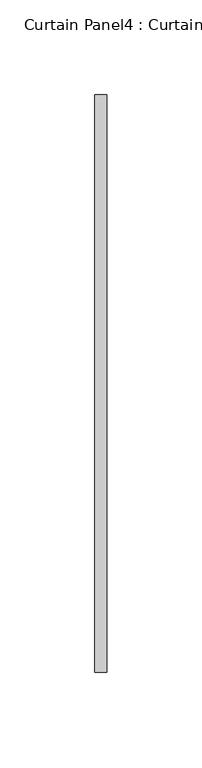
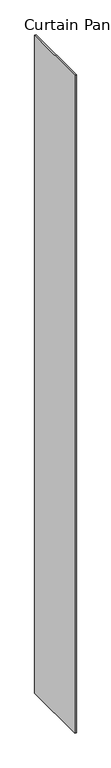
"""IFC4 building model written with IfcOpenShell, lengths in millimetres: plate geometry, Curtain Panel4 : Curtain Panel."""

import ifcopenshell
import ifcopenshell.guid

model = None  # the IFC model being written
_history = None  # IfcOwnerHistory: only IFC2X3 demands one
_inside = {}  # id of a spatial element -> (the spatial element, [elements in it])
_under = {}  # id of a project, library or spatial element -> (it, [spatial elements below it])
_declared = {}  # id of a project -> (the project, [libraries it declares])
_typed = {}  # id of a type object -> (the type object, [elements of that type])
_made_of = {}  # id of a material, layer set ... -> (it, [elements and type objects made of it])


def new_model(schema):
    """Start an empty IFC model of exactly this schema.

    Asked for "IFC4X3", IfcOpenShell would pick the latest addendum, in which some entities
    have other attributes; the version numbers below select the first issue.
    IFC2X3 requires an IfcOwnerHistory on every rooted entity: one is made here for all.
    """
    global model, _history
    if schema == "IFC4X3":
        model = ifcopenshell.file(schema_version=(4, 3, 0, 0))
    else:
        model = ifcopenshell.file(schema=schema)
    _inside.clear()
    _under.clear()
    _declared.clear()
    _typed.clear()
    _made_of.clear()
    _history = None
    if model.schema == "IFC2X3":
        org = make("IfcOrganization", Name="unknown")
        user = make(
            "IfcPersonAndOrganization",
            ThePerson=make("IfcPerson", FamilyName="unknown"),
            TheOrganization=org,
        )
        app = make(
            "IfcApplication",
            ApplicationDeveloper=org,
            Version="unknown",
            ApplicationFullName="unknown",
            ApplicationIdentifier="unknown",
        )
        _history = make(
            "IfcOwnerHistory",
            OwningUser=user,
            OwningApplication=app,
            ChangeAction="ADDED",
            CreationDate=0,
        )
    return model


def make(cls, **values):
    """One entity of the class cls with the attributes given. An attribute that is None is left unset."""
    return model.create_entity(
        cls, **{name: value for name, value in values.items() if value is not None}
    )


def rooted(cls, **values):
    """An entity with a GlobalId (a new one), such as an element, a storey or a relation."""
    return make(cls, GlobalId=ifcopenshell.guid.new(), OwnerHistory=_history, **values)


def si_unit(unit_type, name, prefix=None):
    """IfcSIUnit, for example si_unit("LENGTHUNIT", "METRE", prefix="MILLI")."""
    return make("IfcSIUnit", UnitType=unit_type, Prefix=prefix, Name=name)


def assignment(units):
    """IfcUnitAssignment: the units of a project."""
    return None if units is None else make("IfcUnitAssignment", Units=units)


def point(xyz):
    """IfcCartesianPoint."""
    return None if xyz is None else make("IfcCartesianPoint", Coordinates=xyz)


def direction(xyz):
    """IfcDirection."""
    return None if xyz is None else make("IfcDirection", DirectionRatios=xyz)


def frame(location, z_axis=None, x_axis=None):
    """IfcAxis2Placement3D, a coordinate frame: its origin and axes. An axis left out is left unset."""
    return make(
        "IfcAxis2Placement3D",
        Location=point(location),
        Axis=direction(z_axis),
        RefDirection=direction(x_axis),
    )


def origin():
    """The frame at (0, 0, 0) with its axes left unset."""
    return frame((0.0, 0.0, 0.0))


def origin_with_axes():
    """The frame at (0, 0, 0) with the z axis (0, 0, 1) and the x axis (1, 0, 0) written out."""
    return frame((0.0, 0.0, 0.0), z_axis=(0.0, 0.0, 1.0), x_axis=(1.0, 0.0, 0.0))


def place(relative_to, where):
    """IfcLocalPlacement: puts the frame where relative to a parent placement (None: the world)."""
    return make(
        "IfcLocalPlacement", PlacementRelTo=relative_to, RelativePlacement=where
    )


def context(
    kind, dimensions, precision=None, world=None, true_north=None, identifier=None
):
    """IfcGeometricRepresentationContext, for example the 3D "Model" context."""
    return make(
        "IfcGeometricRepresentationContext",
        ContextIdentifier=identifier,
        ContextType=kind,
        CoordinateSpaceDimension=dimensions,
        Precision=precision,
        WorldCoordinateSystem=world,
        TrueNorth=true_north,
    )


def project(units=None, contexts=None):
    """IfcProject with its units and contexts."""
    return rooted(
        "IfcProject",
        Name="project",
        RepresentationContexts=contexts,
        UnitsInContext=assignment(units),
    )


def spatial(cls, under=None, at=None, **own):
    """A site, building, storey or space (cls), placed at a placement, below another one or the project."""
    s = rooted(cls, ObjectPlacement=at, **own)
    if under is not None:
        _under.setdefault(under.id(), (under, []))[1].append(s)
    return s


def polyline(points):
    """IfcPolyline through the points."""
    return make("IfcPolyline", Points=[point(p) for p in points])


def outline(outer, holes=None, kind="AREA"):
    """IfcArbitraryClosedProfileDef: a profile drawn as a closed curve; with holes, ...WithVoids."""
    if holes is None:
        return make("IfcArbitraryClosedProfileDef", ProfileType=kind, OuterCurve=outer)
    return make(
        "IfcArbitraryProfileDefWithVoids",
        ProfileType=kind,
        OuterCurve=outer,
        InnerCurves=holes,
    )


def extrude(swept, where, along, depth):
    """IfcExtrudedAreaSolid: the profile swept, set in the frame where, extruded along a direction by depth."""
    return make(
        "IfcExtrudedAreaSolid",
        SweptArea=swept,
        Position=where,
        ExtrudedDirection=direction(along),
        Depth=depth,
    )


def shape(context_of_items, identifier, shape_type, items):
    """IfcShapeRepresentation: the items that make up one representation, for example the "Body"."""
    return make(
        "IfcShapeRepresentation",
        ContextOfItems=context_of_items,
        RepresentationIdentifier=identifier,
        RepresentationType=shape_type,
        Items=items,
    )


def source(mapping_origin, context_of_items, identifier, shape_type, items):
    """IfcRepresentationMap: a shape defined once, which mapped items show again and again."""
    return make(
        "IfcRepresentationMap",
        MappingOrigin=mapping_origin,
        MappedRepresentation=shape(context_of_items, identifier, shape_type, items),
    )


def transform(
    local_origin,
    x_axis=None,
    y_axis=None,
    z_axis=None,
    scale=None,
    scale2=None,
    scale3=None,
    uniform=True,
):
    """IfcCartesianTransformationOperator3D, or its non-uniform kind. x_axis, y_axis, z_axis: its Axis1, 2, 3."""
    if uniform:
        return make(
            "IfcCartesianTransformationOperator3D",
            Axis1=direction(x_axis),
            Axis2=direction(y_axis),
            LocalOrigin=point(local_origin),
            Scale=scale,
            Axis3=direction(z_axis),
        )
    return make(
        "IfcCartesianTransformationOperator3DnonUniform",
        Axis1=direction(x_axis),
        Axis2=direction(y_axis),
        LocalOrigin=point(local_origin),
        Scale=scale,
        Axis3=direction(z_axis),
        Scale2=scale2,
        Scale3=scale3,
    )


def mapped(mapping_source, mapping_target):
    """IfcMappedItem: shows the shape of a source again, moved by a transform."""
    return make(
        "IfcMappedItem", MappingSource=mapping_source, MappingTarget=mapping_target
    )


def made_of(thing, what):
    """Note that an element or type object is made of a material, layer set ...; save() writes the relation."""
    if what is not None:
        _made_of.setdefault(what.id(), (what, []))[1].append(thing)
    return thing


def element(
    cls,
    number,
    at=None,
    inside=None,
    cuts=None,
    type_object=None,
    material=None,
    context=None,
    identifier="Body",
    shape_type=None,
    held_by="IfcProductDefinitionShape",
    body=None,
    shapes=None,
    **own,
):
    """One element of the class cls, such as IfcWall. Its Tag is "e" and its number.

    at: its placement. inside: the storey or other place that contains it. cuts: it is an
    opening in that element (IfcRelVoidsElement). A single representation is given by context,
    identifier, shape_type and body (its items); several are given by shapes. held_by: the class
    of the entity that holds the representations. save() writes the other relations.
    """
    e = rooted(cls, Tag="e%d" % number, ObjectPlacement=at, **own)
    if body is not None:
        shapes = [shape(context, identifier, shape_type, body)]
    if shapes is not None:
        e.Representation = make(held_by, Representations=shapes)
    if inside is not None:
        _inside.setdefault(inside.id(), (inside, []))[1].append(e)
    if cuts is not None:
        rooted(
            "IfcRelVoidsElement", RelatingBuildingElement=cuts, RelatedOpeningElement=e
        )
    if type_object is not None:
        _typed.setdefault(type_object.id(), (type_object, []))[1].append(e)
    return made_of(e, material)


def aggregate(whole, parts):
    """IfcRelAggregates: a whole, such as a stair, and the parts it consists of."""
    return rooted("IfcRelAggregates", RelatingObject=whole, RelatedObjects=parts)


def save(model, path):
    """Write the relations noted so far, then the file.

    IfcRelAggregates (storeys below a building ...), IfcRelContainedInSpatialStructure (elements
    in a storey), IfcRelDefinesByType, IfcRelAssociatesMaterial and IfcRelDeclares: one each for
    every whole, place, type object, material and project.
    """
    for whole, parts in _under.values():
        aggregate(whole, parts)
    for where, things in _inside.values():
        rooted(
            "IfcRelContainedInSpatialStructure",
            RelatedElements=things,
            RelatingStructure=where,
        )
    for kind, things in _typed.values():
        rooted("IfcRelDefinesByType", RelatedObjects=things, RelatingType=kind)
    for what, things in _made_of.values():
        rooted("IfcRelAssociatesMaterial", RelatedObjects=things, RelatingMaterial=what)
    for by, libraries in _declared.values():
        rooted("IfcRelDeclares", RelatingContext=by, RelatedDefinitions=libraries)
    model.write(path)


def curtain_panel4_curtain_panel_40d9b5d6(model_context):
    return source(origin(), model_context, "Body", "SweptSolid", [
        extrude(outline(polyline([(176459.9686531, 2954.8136812), (176459.9686531, 3259.6136812), (176466.3186531, 3259.6136812), (176466.3186531, 2954.8136812), (176459.9686531, 2954.8136812)])), origin_with_axes(), (0.0, 0.0, 1.0), 3048.0),
    ])


if __name__ == "__main__":
    model = new_model("IFC4")
    model_context = context("Model", 3, world=origin())
    ifc_project = project(units=[si_unit("LENGTHUNIT", "METRE", prefix="MILLI")], contexts=[model_context])
    site = spatial("IfcSite", under=ifc_project)
    building = spatial("IfcBuilding", under=site)
    placement = place(None, origin())
    curtain_panel4_curtain_panel_shape = curtain_panel4_curtain_panel_40d9b5d6(model_context)
    element("IfcPlate", 1, ObjectType="Curtain Panel4 : Curtain Panel", at=placement, inside=building, context=model_context, shape_type="MappedRepresentation", body=[
        mapped(curtain_panel4_curtain_panel_shape, transform((0.0, 0.0, 0.0), x_axis=(1.0, 0.0, 0.0), y_axis=(0.0, 1.0, 0.0), z_axis=(0.0, 0.0, 1.0))),
    ])
    save(model, "model.ifc")
